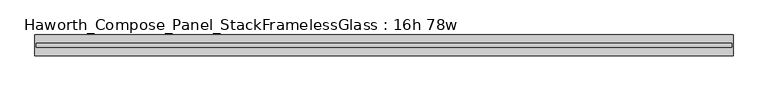
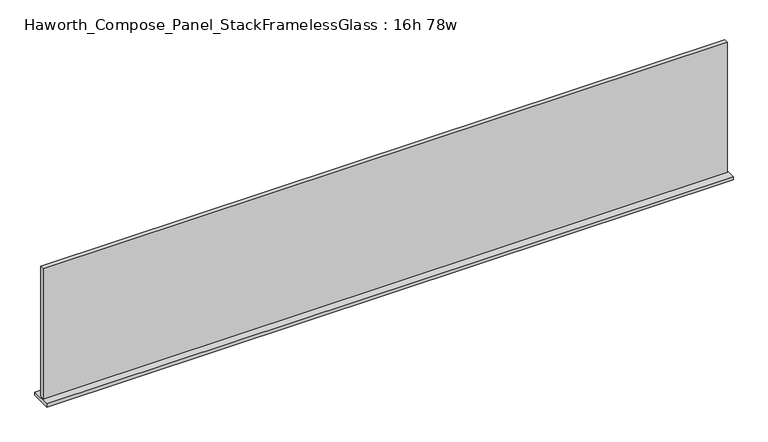
"""IFC4 building model written with IfcOpenShell, lengths in millimetres: furniture geometry, Haworth_Compose_Panel_StackFramelessGlass : 16h 78w."""

from ifc_helpers import new_model, si_unit, frame, origin, place, context, project, spatial, polyline, outline, extrude, source, transform, mapped, element, save


def haworth_compose_panel_stackframelessglass_16h_78w_a1761646(model_context):
    return source(origin(), model_context, "Body", "SweptSolid", [
        extrude(outline(polyline([(989.8652902, -27.3093594), (-984.9847098, -27.3093594), (-984.9847098, -14.6093594), (989.8652902, -14.6093594), (989.8652902, -27.3093594)])), frame((0.0, 0.0, 1279.525), z_axis=(0.0, 0.0, 1.0), x_axis=(1.0, 0.0, 0.0)), (0.0, 0.0, 1.0), 396.875),
        extrude(outline(polyline([(-988.1597098, -50.3281094), (-988.1597098, 8.4093906), (993.0402902, 8.4093906), (993.0402902, -50.3281094), (-988.1597098, -50.3281094)])), frame((0.0, 0.0, 1270.0), z_axis=(0.0, 0.0, 1.0), x_axis=(1.0, 0.0, 0.0)), (0.0, 0.0, 1.0), 9.525),
    ])


if __name__ == "__main__":
    model = new_model("IFC4")
    model_context = context("Model", 3, world=origin())
    ifc_project = project(units=[si_unit("LENGTHUNIT", "METRE", prefix="MILLI")], contexts=[model_context])
    site = spatial("IfcSite", under=ifc_project)
    building = spatial("IfcBuilding", under=site)
    placement = place(None, origin())
    haworth_compose_panel_stackframelessglass_16h_78w_shape = haworth_compose_panel_stackframelessglass_16h_78w_a1761646(model_context)
    element("IfcFurniture", 1, ObjectType="Haworth_Compose_Panel_StackFramelessGlass : 16h 78w", at=placement, inside=building, context=model_context, shape_type="MappedRepresentation", body=[
        mapped(haworth_compose_panel_stackframelessglass_16h_78w_shape, transform((0.0, 0.0, 0.0), x_axis=(1.0, 0.0, 0.0), y_axis=(0.0, 1.0, 0.0), z_axis=(0.0, 0.0, 1.0))),
    ])
    save(model, "model.ifc")
